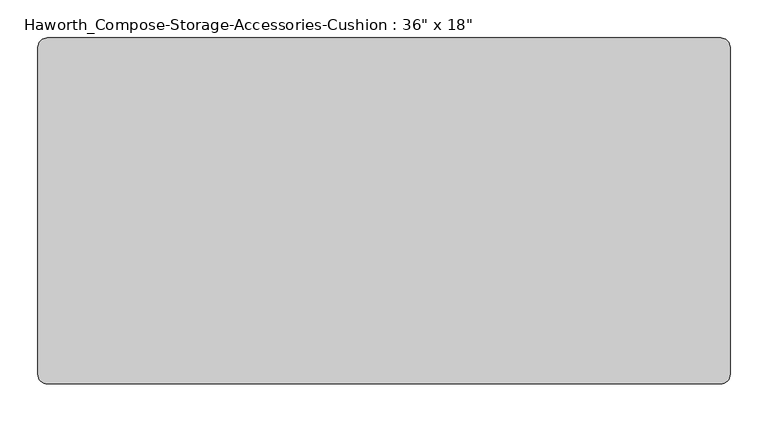
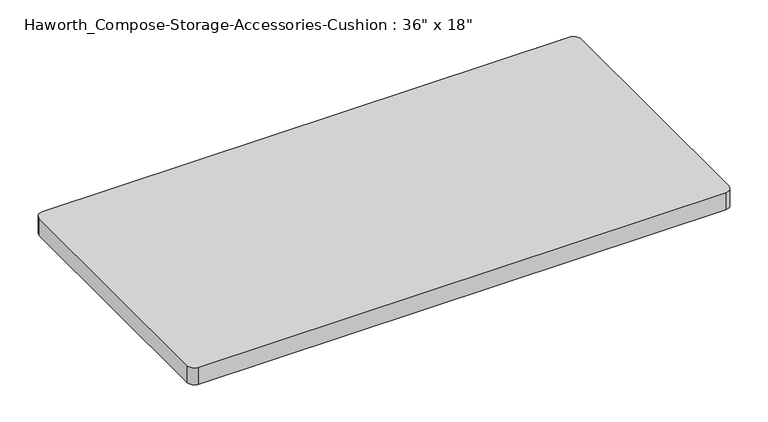
"""IFC4 building model written with IfcOpenShell, lengths in millimetres: furniture geometry."""

import ifcopenshell
import ifcopenshell.guid

model = None  # the IFC model being written
_history = None  # IfcOwnerHistory: only IFC2X3 demands one
_inside = {}  # id of a spatial element -> (the spatial element, [elements in it])
_under = {}  # id of a project, library or spatial element -> (it, [spatial elements below it])
_declared = {}  # id of a project -> (the project, [libraries it declares])
_typed = {}  # id of a type object -> (the type object, [elements of that type])
_made_of = {}  # id of a material, layer set ... -> (it, [elements and type objects made of it])


def new_model(schema):
    """Start an empty IFC model of exactly this schema.

    Asked for "IFC4X3", IfcOpenShell would pick the latest addendum, in which some entities
    have other attributes; the version numbers below select the first issue.
    IFC2X3 requires an IfcOwnerHistory on every rooted entity: one is made here for all.
    """
    global model, _history
    if schema == "IFC4X3":
        model = ifcopenshell.file(schema_version=(4, 3, 0, 0))
    else:
        model = ifcopenshell.file(schema=schema)
    _inside.clear()
    _under.clear()
    _declared.clear()
    _typed.clear()
    _made_of.clear()
    _history = None
    if model.schema == "IFC2X3":
        org = make("IfcOrganization", Name="unknown")
        user = make(
            "IfcPersonAndOrganization",
            ThePerson=make("IfcPerson", FamilyName="unknown"),
            TheOrganization=org,
        )
        app = make(
            "IfcApplication",
            ApplicationDeveloper=org,
            Version="unknown",
            ApplicationFullName="unknown",
            ApplicationIdentifier="unknown",
        )
        _history = make(
            "IfcOwnerHistory",
            OwningUser=user,
            OwningApplication=app,
            ChangeAction="ADDED",
            CreationDate=0,
        )
    return model


def make(cls, **values):
    """One entity of the class cls with the attributes given. An attribute that is None is left unset."""
    return model.create_entity(
        cls, **{name: value for name, value in values.items() if value is not None}
    )


def rooted(cls, **values):
    """An entity with a GlobalId (a new one), such as an element, a storey or a relation."""
    return make(cls, GlobalId=ifcopenshell.guid.new(), OwnerHistory=_history, **values)


def si_unit(unit_type, name, prefix=None):
    """IfcSIUnit, for example si_unit("LENGTHUNIT", "METRE", prefix="MILLI")."""
    return make("IfcSIUnit", UnitType=unit_type, Prefix=prefix, Name=name)


def assignment(units):
    """IfcUnitAssignment: the units of a project."""
    return None if units is None else make("IfcUnitAssignment", Units=units)


def point(xyz):
    """IfcCartesianPoint."""
    return None if xyz is None else make("IfcCartesianPoint", Coordinates=xyz)


def direction(xyz):
    """IfcDirection."""
    return None if xyz is None else make("IfcDirection", DirectionRatios=xyz)


def frame(location, z_axis=None, x_axis=None):
    """IfcAxis2Placement3D, a coordinate frame: its origin and axes. An axis left out is left unset."""
    return make(
        "IfcAxis2Placement3D",
        Location=point(location),
        Axis=direction(z_axis),
        RefDirection=direction(x_axis),
    )


def frame_2d(location, x_axis=None):
    """IfcAxis2Placement2D, a coordinate frame in the plane: its origin and x axis."""
    return make(
        "IfcAxis2Placement2D", Location=point(location), RefDirection=direction(x_axis)
    )


def origin():
    """The frame at (0, 0, 0) with its axes left unset."""
    return frame((0.0, 0.0, 0.0))


def place(relative_to, where):
    """IfcLocalPlacement: puts the frame where relative to a parent placement (None: the world)."""
    return make(
        "IfcLocalPlacement", PlacementRelTo=relative_to, RelativePlacement=where
    )


def context(
    kind, dimensions, precision=None, world=None, true_north=None, identifier=None
):
    """IfcGeometricRepresentationContext, for example the 3D "Model" context."""
    return make(
        "IfcGeometricRepresentationContext",
        ContextIdentifier=identifier,
        ContextType=kind,
        CoordinateSpaceDimension=dimensions,
        Precision=precision,
        WorldCoordinateSystem=world,
        TrueNorth=true_north,
    )


def project(units=None, contexts=None):
    """IfcProject with its units and contexts."""
    return rooted(
        "IfcProject",
        Name="project",
        RepresentationContexts=contexts,
        UnitsInContext=assignment(units),
    )


def spatial(cls, under=None, at=None, **own):
    """A site, building, storey or space (cls), placed at a placement, below another one or the project."""
    s = rooted(cls, ObjectPlacement=at, **own)
    if under is not None:
        _under.setdefault(under.id(), (under, []))[1].append(s)
    return s


def polyline(points):
    """IfcPolyline through the points."""
    return make("IfcPolyline", Points=[point(p) for p in points])


def circle_curve(where, radius):
    """IfcCircle in the frame where."""
    return make("IfcCircle", Position=where, Radius=radius)


def trimmed(basis, trim1, trim2, sense, master):
    """IfcTrimmedCurve: the piece of a basis curve between two trims."""
    return make(
        "IfcTrimmedCurve",
        BasisCurve=basis,
        Trim1=trim1,
        Trim2=trim2,
        SenseAgreement=sense,
        MasterRepresentation=master,
    )


def segment(curve, same_sense, transition):
    """IfcCompositeCurveSegment."""
    return make(
        "IfcCompositeCurveSegment",
        Transition=transition,
        SameSense=same_sense,
        ParentCurve=curve,
    )


def composite_curve(segments, self_intersect=None):
    """IfcCompositeCurve: segments joined end to end."""
    return make("IfcCompositeCurve", Segments=segments, SelfIntersect=self_intersect)


def outline(outer, holes=None, kind="AREA"):
    """IfcArbitraryClosedProfileDef: a profile drawn as a closed curve; with holes, ...WithVoids."""
    if holes is None:
        return make("IfcArbitraryClosedProfileDef", ProfileType=kind, OuterCurve=outer)
    return make(
        "IfcArbitraryProfileDefWithVoids",
        ProfileType=kind,
        OuterCurve=outer,
        InnerCurves=holes,
    )


def extrude(swept, where, along, depth):
    """IfcExtrudedAreaSolid: the profile swept, set in the frame where, extruded along a direction by depth."""
    return make(
        "IfcExtrudedAreaSolid",
        SweptArea=swept,
        Position=where,
        ExtrudedDirection=direction(along),
        Depth=depth,
    )


def shape(context_of_items, identifier, shape_type, items):
    """IfcShapeRepresentation: the items that make up one representation, for example the "Body"."""
    return make(
        "IfcShapeRepresentation",
        ContextOfItems=context_of_items,
        RepresentationIdentifier=identifier,
        RepresentationType=shape_type,
        Items=items,
    )


def source(mapping_origin, context_of_items, identifier, shape_type, items):
    """IfcRepresentationMap: a shape defined once, which mapped items show again and again."""
    return make(
        "IfcRepresentationMap",
        MappingOrigin=mapping_origin,
        MappedRepresentation=shape(context_of_items, identifier, shape_type, items),
    )


def transform(
    local_origin,
    x_axis=None,
    y_axis=None,
    z_axis=None,
    scale=None,
    scale2=None,
    scale3=None,
    uniform=True,
):
    """IfcCartesianTransformationOperator3D, or its non-uniform kind. x_axis, y_axis, z_axis: its Axis1, 2, 3."""
    if uniform:
        return make(
            "IfcCartesianTransformationOperator3D",
            Axis1=direction(x_axis),
            Axis2=direction(y_axis),
            LocalOrigin=point(local_origin),
            Scale=scale,
            Axis3=direction(z_axis),
        )
    return make(
        "IfcCartesianTransformationOperator3DnonUniform",
        Axis1=direction(x_axis),
        Axis2=direction(y_axis),
        LocalOrigin=point(local_origin),
        Scale=scale,
        Axis3=direction(z_axis),
        Scale2=scale2,
        Scale3=scale3,
    )


def mapped(mapping_source, mapping_target):
    """IfcMappedItem: shows the shape of a source again, moved by a transform."""
    return make(
        "IfcMappedItem", MappingSource=mapping_source, MappingTarget=mapping_target
    )


def made_of(thing, what):
    """Note that an element or type object is made of a material, layer set ...; save() writes the relation."""
    if what is not None:
        _made_of.setdefault(what.id(), (what, []))[1].append(thing)
    return thing


def element(
    cls,
    number,
    at=None,
    inside=None,
    cuts=None,
    type_object=None,
    material=None,
    context=None,
    identifier="Body",
    shape_type=None,
    held_by="IfcProductDefinitionShape",
    body=None,
    shapes=None,
    **own,
):
    """One element of the class cls, such as IfcWall. Its Tag is "e" and its number.

    at: its placement. inside: the storey or other place that contains it. cuts: it is an
    opening in that element (IfcRelVoidsElement). A single representation is given by context,
    identifier, shape_type and body (its items); several are given by shapes. held_by: the class
    of the entity that holds the representations. save() writes the other relations.
    """
    e = rooted(cls, Tag="e%d" % number, ObjectPlacement=at, **own)
    if body is not None:
        shapes = [shape(context, identifier, shape_type, body)]
    if shapes is not None:
        e.Representation = make(held_by, Representations=shapes)
    if inside is not None:
        _inside.setdefault(inside.id(), (inside, []))[1].append(e)
    if cuts is not None:
        rooted(
            "IfcRelVoidsElement", RelatingBuildingElement=cuts, RelatedOpeningElement=e
        )
    if type_object is not None:
        _typed.setdefault(type_object.id(), (type_object, []))[1].append(e)
    return made_of(e, material)


def aggregate(whole, parts):
    """IfcRelAggregates: a whole, such as a stair, and the parts it consists of."""
    return rooted("IfcRelAggregates", RelatingObject=whole, RelatedObjects=parts)


def save(model, path):
    """Write the relations noted so far, then the file.

    IfcRelAggregates (storeys below a building ...), IfcRelContainedInSpatialStructure (elements
    in a storey), IfcRelDefinesByType, IfcRelAssociatesMaterial and IfcRelDeclares: one each for
    every whole, place, type object, material and project.
    """
    for whole, parts in _under.values():
        aggregate(whole, parts)
    for where, things in _inside.values():
        rooted(
            "IfcRelContainedInSpatialStructure",
            RelatedElements=things,
            RelatingStructure=where,
        )
    for kind, things in _typed.values():
        rooted("IfcRelDefinesByType", RelatedObjects=things, RelatingType=kind)
    for what, things in _made_of.values():
        rooted("IfcRelAssociatesMaterial", RelatedObjects=things, RelatingMaterial=what)
    for by, libraries in _declared.values():
        rooted("IfcRelDeclares", RelatingContext=by, RelatedDefinitions=libraries)
    model.write(path)


def furniture_88dfb44b(model_context):
    return source(origin(), model_context, "Body", "SweptSolid", [
        extrude(outline(composite_curve([segment(polyline([(444.5, -228.6), (-444.5, -228.6)]), True, "CONTINUOUS"), segment(trimmed(circle_curve(frame_2d((-444.5, -215.9)), 12.7), [point((-444.5, -228.6))], [point((-457.2, -215.9))], False, "CARTESIAN"), True, "CONTINUOUS"), segment(polyline([(-457.2, -215.9), (-457.2, 215.9)]), True, "CONTINUOUS"), segment(trimmed(circle_curve(frame_2d((-444.5, 215.9)), 12.7), [point((-457.2, 215.9))], [point((-444.5, 228.6))], False, "CARTESIAN"), True, "CONTINUOUS"), segment(polyline([(-444.5, 228.6), (444.5, 228.6)]), True, "CONTINUOUS"), segment(trimmed(circle_curve(frame_2d((444.5, 215.9)), 12.7), [point((444.5, 228.6))], [point((457.2, 215.9))], False, "CARTESIAN"), True, "CONTINUOUS"), segment(polyline([(457.2, 215.9), (457.2, -215.9)]), True, "CONTINUOUS"), segment(trimmed(circle_curve(frame_2d((444.5, -215.9)), 12.7), [point((457.2, -215.9))], [point((444.5, -228.6))], False, "CARTESIAN"), True, "CONTINUOUS")], self_intersect=False)), frame((0.0, 0.0, 584.2), z_axis=(0.0, 0.0, 1.0), x_axis=(1.0, 0.0, 0.0)), (0.0, 0.0, 1.0), 30.1625),
    ])


if __name__ == "__main__":
    model = new_model("IFC4")
    model_context = context("Model", 3, world=origin())
    ifc_project = project(units=[si_unit("LENGTHUNIT", "METRE", prefix="MILLI")], contexts=[model_context])
    site = spatial("IfcSite", under=ifc_project)
    building = spatial("IfcBuilding", under=site)
    placement = place(None, origin())
    furniture_shape = furniture_88dfb44b(model_context)
    element("IfcFurniture", 1, ObjectType="Haworth_Compose-Storage-Accessories-Cushion : 36\" x 18\"", at=placement, inside=building, context=model_context, shape_type="MappedRepresentation", body=[
        mapped(furniture_shape, transform((0.0, 0.0, 0.0), x_axis=(1.0, 0.0, 0.0), y_axis=(0.0, 1.0, 0.0), z_axis=(0.0, 0.0, 1.0))),
    ])
    save(model, "model.ifc")
